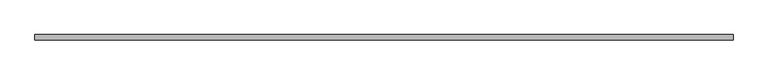
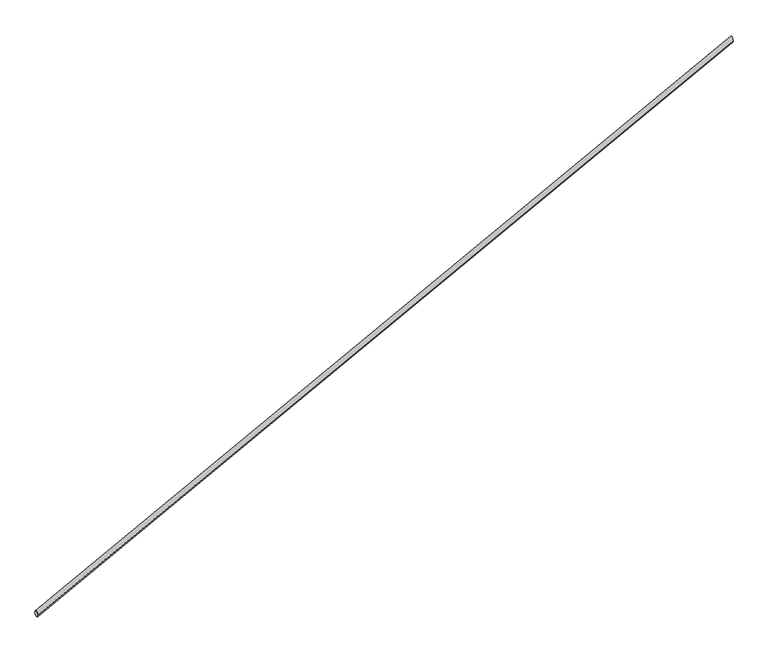
"""IFC4 building model written with IfcOpenShell, lengths in millimetres: railing geometry."""

import ifcopenshell
import ifcopenshell.guid

model = None  # the IFC model being written
_history = None  # IfcOwnerHistory: only IFC2X3 demands one
_inside = {}  # id of a spatial element -> (the spatial element, [elements in it])
_under = {}  # id of a project, library or spatial element -> (it, [spatial elements below it])
_declared = {}  # id of a project -> (the project, [libraries it declares])
_typed = {}  # id of a type object -> (the type object, [elements of that type])
_made_of = {}  # id of a material, layer set ... -> (it, [elements and type objects made of it])


def new_model(schema):
    """Start an empty IFC model of exactly this schema.

    Asked for "IFC4X3", IfcOpenShell would pick the latest addendum, in which some entities
    have other attributes; the version numbers below select the first issue.
    IFC2X3 requires an IfcOwnerHistory on every rooted entity: one is made here for all.
    """
    global model, _history
    if schema == "IFC4X3":
        model = ifcopenshell.file(schema_version=(4, 3, 0, 0))
    else:
        model = ifcopenshell.file(schema=schema)
    _inside.clear()
    _under.clear()
    _declared.clear()
    _typed.clear()
    _made_of.clear()
    _history = None
    if model.schema == "IFC2X3":
        org = make("IfcOrganization", Name="unknown")
        user = make(
            "IfcPersonAndOrganization",
            ThePerson=make("IfcPerson", FamilyName="unknown"),
            TheOrganization=org,
        )
        app = make(
            "IfcApplication",
            ApplicationDeveloper=org,
            Version="unknown",
            ApplicationFullName="unknown",
            ApplicationIdentifier="unknown",
        )
        _history = make(
            "IfcOwnerHistory",
            OwningUser=user,
            OwningApplication=app,
            ChangeAction="ADDED",
            CreationDate=0,
        )
    return model


def make(cls, **values):
    """One entity of the class cls with the attributes given. An attribute that is None is left unset."""
    return model.create_entity(
        cls, **{name: value for name, value in values.items() if value is not None}
    )


def rooted(cls, **values):
    """An entity with a GlobalId (a new one), such as an element, a storey or a relation."""
    return make(cls, GlobalId=ifcopenshell.guid.new(), OwnerHistory=_history, **values)


def si_unit(unit_type, name, prefix=None):
    """IfcSIUnit, for example si_unit("LENGTHUNIT", "METRE", prefix="MILLI")."""
    return make("IfcSIUnit", UnitType=unit_type, Prefix=prefix, Name=name)


def assignment(units):
    """IfcUnitAssignment: the units of a project."""
    return None if units is None else make("IfcUnitAssignment", Units=units)


def point(xyz):
    """IfcCartesianPoint."""
    return None if xyz is None else make("IfcCartesianPoint", Coordinates=xyz)


def direction(xyz):
    """IfcDirection."""
    return None if xyz is None else make("IfcDirection", DirectionRatios=xyz)


def frame(location, z_axis=None, x_axis=None):
    """IfcAxis2Placement3D, a coordinate frame: its origin and axes. An axis left out is left unset."""
    return make(
        "IfcAxis2Placement3D",
        Location=point(location),
        Axis=direction(z_axis),
        RefDirection=direction(x_axis),
    )


def origin():
    """The frame at (0, 0, 0) with its axes left unset."""
    return frame((0.0, 0.0, 0.0))


def place(relative_to, where):
    """IfcLocalPlacement: puts the frame where relative to a parent placement (None: the world)."""
    return make(
        "IfcLocalPlacement", PlacementRelTo=relative_to, RelativePlacement=where
    )


def context(
    kind, dimensions, precision=None, world=None, true_north=None, identifier=None
):
    """IfcGeometricRepresentationContext, for example the 3D "Model" context."""
    return make(
        "IfcGeometricRepresentationContext",
        ContextIdentifier=identifier,
        ContextType=kind,
        CoordinateSpaceDimension=dimensions,
        Precision=precision,
        WorldCoordinateSystem=world,
        TrueNorth=true_north,
    )


def project(units=None, contexts=None):
    """IfcProject with its units and contexts."""
    return rooted(
        "IfcProject",
        Name="project",
        RepresentationContexts=contexts,
        UnitsInContext=assignment(units),
    )


def spatial(cls, under=None, at=None, **own):
    """A site, building, storey or space (cls), placed at a placement, below another one or the project."""
    s = rooted(cls, ObjectPlacement=at, **own)
    if under is not None:
        _under.setdefault(under.id(), (under, []))[1].append(s)
    return s


def ellipse_curve(where, semi_axis1, semi_axis2):
    """IfcEllipse in the frame where."""
    return make(
        "IfcEllipse", Position=where, SemiAxis1=semi_axis1, SemiAxis2=semi_axis2
    )


def shape(context_of_items, identifier, shape_type, items):
    """IfcShapeRepresentation: the items that make up one representation, for example the "Body"."""
    return make(
        "IfcShapeRepresentation",
        ContextOfItems=context_of_items,
        RepresentationIdentifier=identifier,
        RepresentationType=shape_type,
        Items=items,
    )


def source(mapping_origin, context_of_items, identifier, shape_type, items):
    """IfcRepresentationMap: a shape defined once, which mapped items show again and again."""
    return make(
        "IfcRepresentationMap",
        MappingOrigin=mapping_origin,
        MappedRepresentation=shape(context_of_items, identifier, shape_type, items),
    )


def transform(
    local_origin,
    x_axis=None,
    y_axis=None,
    z_axis=None,
    scale=None,
    scale2=None,
    scale3=None,
    uniform=True,
):
    """IfcCartesianTransformationOperator3D, or its non-uniform kind. x_axis, y_axis, z_axis: its Axis1, 2, 3."""
    if uniform:
        return make(
            "IfcCartesianTransformationOperator3D",
            Axis1=direction(x_axis),
            Axis2=direction(y_axis),
            LocalOrigin=point(local_origin),
            Scale=scale,
            Axis3=direction(z_axis),
        )
    return make(
        "IfcCartesianTransformationOperator3DnonUniform",
        Axis1=direction(x_axis),
        Axis2=direction(y_axis),
        LocalOrigin=point(local_origin),
        Scale=scale,
        Axis3=direction(z_axis),
        Scale2=scale2,
        Scale3=scale3,
    )


def mapped(mapping_source, mapping_target):
    """IfcMappedItem: shows the shape of a source again, moved by a transform."""
    return make(
        "IfcMappedItem", MappingSource=mapping_source, MappingTarget=mapping_target
    )


def made_of(thing, what):
    """Note that an element or type object is made of a material, layer set ...; save() writes the relation."""
    if what is not None:
        _made_of.setdefault(what.id(), (what, []))[1].append(thing)
    return thing


def element(
    cls,
    number,
    at=None,
    inside=None,
    cuts=None,
    type_object=None,
    material=None,
    context=None,
    identifier="Body",
    shape_type=None,
    held_by="IfcProductDefinitionShape",
    body=None,
    shapes=None,
    **own,
):
    """One element of the class cls, such as IfcWall. Its Tag is "e" and its number.

    at: its placement. inside: the storey or other place that contains it. cuts: it is an
    opening in that element (IfcRelVoidsElement). A single representation is given by context,
    identifier, shape_type and body (its items); several are given by shapes. held_by: the class
    of the entity that holds the representations. save() writes the other relations.
    """
    e = rooted(cls, Tag="e%d" % number, ObjectPlacement=at, **own)
    if body is not None:
        shapes = [shape(context, identifier, shape_type, body)]
    if shapes is not None:
        e.Representation = make(held_by, Representations=shapes)
    if inside is not None:
        _inside.setdefault(inside.id(), (inside, []))[1].append(e)
    if cuts is not None:
        rooted(
            "IfcRelVoidsElement", RelatingBuildingElement=cuts, RelatedOpeningElement=e
        )
    if type_object is not None:
        _typed.setdefault(type_object.id(), (type_object, []))[1].append(e)
    return made_of(e, material)


def aggregate(whole, parts):
    """IfcRelAggregates: a whole, such as a stair, and the parts it consists of."""
    return rooted("IfcRelAggregates", RelatingObject=whole, RelatedObjects=parts)


def save(model, path):
    """Write the relations noted so far, then the file.

    IfcRelAggregates (storeys below a building ...), IfcRelContainedInSpatialStructure (elements
    in a storey), IfcRelDefinesByType, IfcRelAssociatesMaterial and IfcRelDeclares: one each for
    every whole, place, type object, material and project.
    """
    for whole, parts in _under.values():
        aggregate(whole, parts)
    for where, things in _inside.values():
        rooted(
            "IfcRelContainedInSpatialStructure",
            RelatedElements=things,
            RelatingStructure=where,
        )
    for kind, things in _typed.values():
        rooted("IfcRelDefinesByType", RelatedObjects=things, RelatingType=kind)
    for what, things in _made_of.values():
        rooted("IfcRelAssociatesMaterial", RelatedObjects=things, RelatingMaterial=what)
    for by, libraries in _declared.values():
        rooted("IfcRelDeclares", RelatingContext=by, RelatedDefinitions=libraries)
    model.write(path)


def plane_surface(at):
    """IfcPlane: the flat surface through the origin of the frame at, square to its z axis."""
    return make("IfcPlane", Position=at)


def cylinder_surface(at, radius):
    """IfcCylindricalSurface: all points at the distance radius from the z axis of the frame at."""
    return make("IfcCylindricalSurface", Position=at, Radius=radius)


def advanced_brep(points, edges, surfaces, faces):
    """IfcAdvancedBrep: a solid bounded by faces that lie on surfaces and meet in shared edges.

    An edge is (start, end): straight between two places in points (the first is 0);
    or (start, end, curve); or (start, end, curve, False) where it runs against its curve.
    A face is (place in surfaces, loops), or (place, loops, False) where it looks against
    its surface's normal. A loop lists edges by number (the first is 1), with a minus sign
    where the edge is run from its end to its start. The first loop is the outer one.
    """
    corners = [point(p) for p in points]
    vertices = [make("IfcVertexPoint", VertexGeometry=c) for c in corners]
    made = []
    for start, end, *more in edges:
        made.append(
            make(
                "IfcEdgeCurve",
                EdgeStart=vertices[start],
                EdgeEnd=vertices[end],
                EdgeGeometry=more[0] if more else make("IfcPolyline", Points=[corners[start], corners[end]]),
                SameSense=more[1] if len(more) > 1 else True,
            )
        )
    hull = []
    for where, loops, *sense in faces:
        bounds = []
        for j, loop in enumerate(loops):
            ring = [make("IfcOrientedEdge", EdgeElement=made[abs(k) - 1], Orientation=k > 0) for k in loop]
            bounds.append(
                make(
                    "IfcFaceOuterBound" if j == 0 else "IfcFaceBound",
                    Bound=make("IfcEdgeLoop", EdgeList=ring),
                    Orientation=True,
                )
            )
        hull.append(make("IfcAdvancedFace", Bounds=bounds, FaceSurface=surfaces[where], SameSense=sense[0] if sense else True))
    return make("IfcAdvancedBrep", Outer=make("IfcClosedShell", CfsFaces=hull))


def railing_74589e19(model_context):
    return source(origin(), model_context, "Body", "AdvancedBrep", [
        advanced_brep(
        [(58838.5706245, -36039.8577854, -8952.6315789), (58838.5706245, -35999.8577854, -8952.6315789), (64238.5706245, -36039.8577854, -6120.0), (64238.5706245, -35999.8577854, -6120.0)],
        [
            (0, 1, ellipse_curve(frame((58838.5706245, -36019.8577854, -8952.6315789), z_axis=(-1.0, 0.0, 0.0), x_axis=(0.0, 0.0, -1.0)), 22.5846378, 20.0)),
            (1, 0, ellipse_curve(frame((58838.5706245, -36019.8577854, -8952.6315789), z_axis=(-1.0, 0.0, 0.0), x_axis=(0.0, 0.0, -1.0)), 22.5846378, 20.0)),
            (2, 3, ellipse_curve(frame((64238.5706245, -36019.8577854, -6120.0), z_axis=(1.0, 0.0, 0.0), x_axis=(0.0, 0.0, -1.0)), 22.5846378, 20.0)),
            (3, 2, ellipse_curve(frame((64238.5706245, -36019.8577854, -6120.0), z_axis=(1.0, 0.0, 0.0), x_axis=(0.0, 0.0, -1.0)), 22.5846378, 20.0)),
            (0, 2),
            (3, 1),
        ],
        [
            plane_surface(frame((58838.5706245, -36019.8577854, -8952.6315789), z_axis=(-1.0, 0.0, 0.0), x_axis=(0.0, 1.0, 0.0))),
            plane_surface(frame((64238.5706245, -36019.8577854, -6120.0), z_axis=(1.0, 0.0, 0.0), x_axis=(0.0, 1.0, 0.0))),
            cylinder_surface(frame((58838.5706245, -36019.8577854, -8952.6315789), z_axis=(-0.8855577025667617, 0.0, -0.4645293913464237), x_axis=(0.0, 1.0, 0.0)), 20.0),
        ],
        [
            (0, [[1, 2]]),
            (1, [[3, 4]]),
            (2, [[-1, 5, -4, 6]]),
            (2, [[-2, -6, -3, -5]]),
        ],
    ),
    ])


if __name__ == "__main__":
    model = new_model("IFC4")
    model_context = context("Model", 3, world=origin())
    ifc_project = project(units=[si_unit("LENGTHUNIT", "METRE", prefix="MILLI")], contexts=[model_context])
    site = spatial("IfcSite", under=ifc_project)
    building = spatial("IfcBuilding", under=site)
    placement = place(None, origin())
    railing_shape = railing_74589e19(model_context)
    element("IfcRailing", 1, at=placement, inside=building, context=model_context, shape_type="MappedRepresentation", body=[
        mapped(railing_shape, transform((0.0, 0.0, 0.0), x_axis=(1.0, 0.0, 0.0), y_axis=(0.0, 1.0, 0.0), z_axis=(0.0, 0.0, 1.0))),
    ])
    save(model, "model.ifc")
